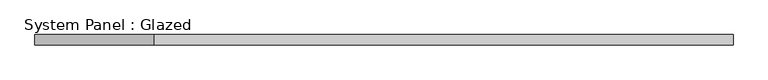
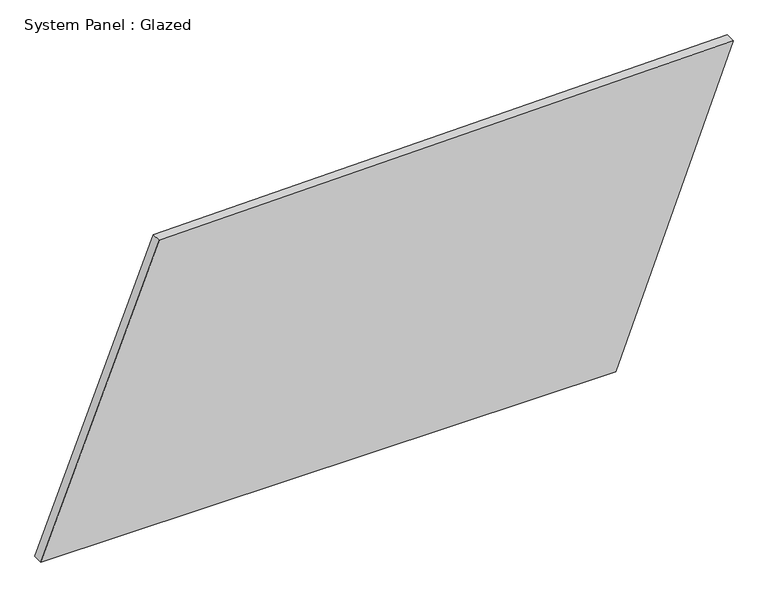
"""IFC4 building model written with IfcOpenShell, lengths in millimetres: plate geometry, System Panel : Glazed."""

from ifc_helpers import new_model, si_unit, frame, origin, place, context, project, spatial, polyline, outline, extrude, source, transform, mapped, element, save


def system_panel_glazed_e3caf073(model_context):
    return source(origin(), model_context, "Body", "SweptSolid", [
        extrude(outline(polyline([(0.0, -849.5289449), (0.0, 561.1160384), (757.7035751, 849.5289449), (732.7549137, -559.0618612), (0.0, -849.5289449)])), frame((0.0, -49.5, 0.0), z_axis=(0.0, 1.0, 0.0), x_axis=(0.0, 0.0, 1.0)), (0.0, 0.0, 1.0), 25.0),
    ])


if __name__ == "__main__":
    model = new_model("IFC4")
    model_context = context("Model", 3, world=origin())
    ifc_project = project(units=[si_unit("LENGTHUNIT", "METRE", prefix="MILLI")], contexts=[model_context])
    site = spatial("IfcSite", under=ifc_project)
    building = spatial("IfcBuilding", under=site)
    placement = place(None, origin())
    system_panel_glazed_shape = system_panel_glazed_e3caf073(model_context)
    element("IfcPlate", 1, ObjectType="System Panel : Glazed", at=placement, inside=building, context=model_context, shape_type="MappedRepresentation", body=[
        mapped(system_panel_glazed_shape, transform((0.0, 0.0, 0.0), x_axis=(1.0, 0.0, 0.0), y_axis=(0.0, 1.0, 0.0), z_axis=(0.0, 0.0, 1.0))),
    ])
    save(model, "model.ifc")
